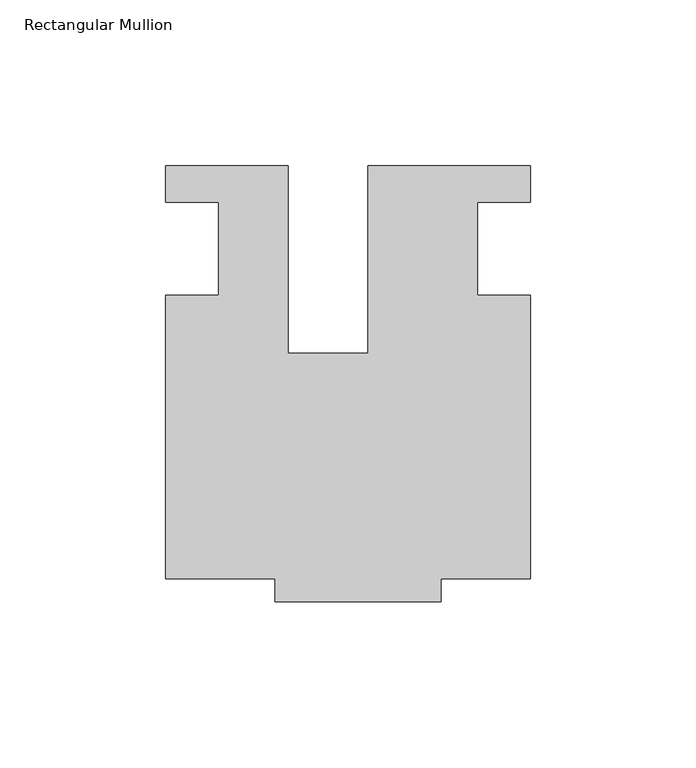
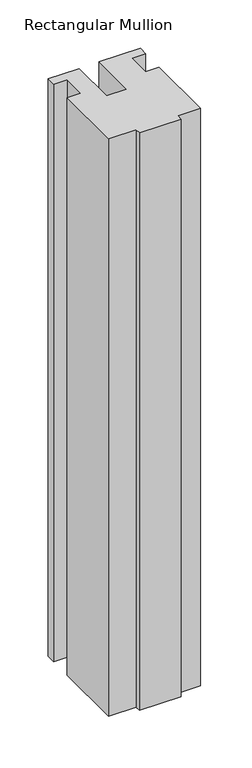
"""IFC4 building model written with IfcOpenShell, lengths in millimetres: member geometry, Rectangular Mullion."""

from ifc_helpers import new_model, si_unit, frame, origin, place, context, project, spatial, polyline, outline, extrude, source, transform, mapped, element, save


def rectangular_mullion_0beb9745(model_context):
    return source(origin(), model_context, "Body", "SweptSolid", [
        extrude(outline(polyline([(-24.0309529, 25.0), (-24.0309529, -31.6008577), (0.0, -31.6008577), (0.0, 25.0), (49.0, 25.0), (49.0, 14.0), (32.9971154, 14.0), (32.9971154, -14.0), (49.0, -14.0), (49.0, -99.5), (22.0028846, -99.5), (22.0028846, -106.5), (-27.9971154, -106.5), (-27.9971154, -99.4999439), (-60.9971154, -99.4999439), (-60.9971154, -14.0), (-44.9971154, -14.0), (-44.9971154, 14.0), (-61.0409135, 14.0), (-61.0409135, 25.0), (-24.0309529, 25.0)])), frame((0.0, 0.0, -729.0936625), z_axis=(0.0, 0.0, 1.0), x_axis=(1.0, 0.0, 0.0)), (0.0, 0.0, 1.0), 729.0936625),
    ])


if __name__ == "__main__":
    model = new_model("IFC4")
    model_context = context("Model", 3, world=origin())
    ifc_project = project(units=[si_unit("LENGTHUNIT", "METRE", prefix="MILLI")], contexts=[model_context])
    site = spatial("IfcSite", under=ifc_project)
    building = spatial("IfcBuilding", under=site)
    placement = place(None, origin())
    rectangular_mullion_shape = rectangular_mullion_0beb9745(model_context)
    element("IfcMember", 1, ObjectType="Rectangular Mullion", at=placement, inside=building, context=model_context, shape_type="MappedRepresentation", body=[
        mapped(rectangular_mullion_shape, transform((0.0, 0.0, 0.0), x_axis=(1.0, 0.0, 0.0), y_axis=(0.0, 1.0, 0.0), z_axis=(0.0, 0.0, 1.0))),
    ])
    save(model, "model.ifc")
